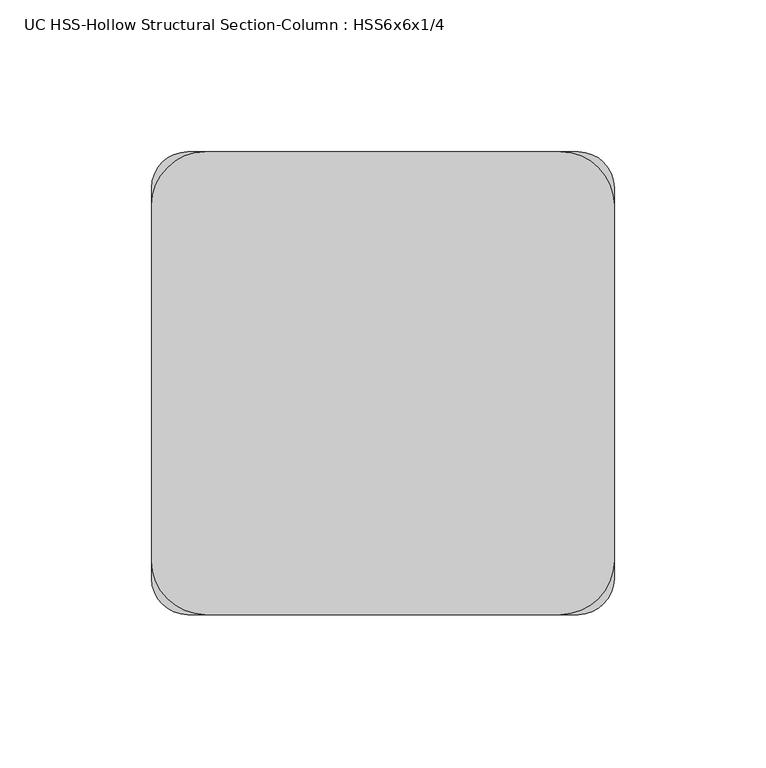
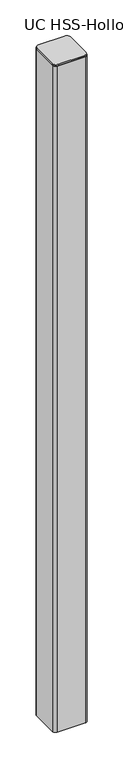
"""IFC4 building model written with IfcOpenShell, lengths in millimetres: column geometry, UC HSS-Hollow Structural Section-Column : HSS6x6x1/4."""

from ifc_helpers import new_model, si_unit, point, frame, frame_2d, origin, place, context, project, spatial, polyline, circle_curve, trimmed, segment, composite_curve, outline, extrude, source, transform, mapped, element, save


def uc_hss_hollow_structural_section_column_hss6x6x1_4_b660c09f(model_context):
    return source(origin(), model_context, "Body", "SweptSolid", [
        extrude(outline(composite_curve([segment(trimmed(circle_curve(frame_2d((-58.5390625, 58.5390625)), 17.6609375), [point((-76.2, 58.5390625))], [point((-58.5390625, 76.2))], False, "CARTESIAN"), True, "CONTINUOUS"), segment(polyline([(-58.5390625, 76.2), (58.5390625, 76.2)]), True, "CONTINUOUS"), segment(trimmed(circle_curve(frame_2d((58.5390625, 58.5390625)), 17.6609375), [point((58.5390625, 76.2))], [point((76.2, 58.5390625))], False, "CARTESIAN"), True, "CONTINUOUS"), segment(polyline([(76.2, 58.5390625), (76.2, -58.5390625)]), True, "CONTINUOUS"), segment(trimmed(circle_curve(frame_2d((58.5390625, -58.5390625)), 17.6609375), [point((76.2, -58.5390625))], [point((58.5390625, -76.2))], False, "CARTESIAN"), True, "CONTINUOUS"), segment(polyline([(58.5390625, -76.2), (-58.5390625, -76.2)]), True, "CONTINUOUS"), segment(trimmed(circle_curve(frame_2d((-58.5390625, -58.5390625)), 17.6609375), [point((-58.5390625, -76.2))], [point((-76.2, -58.5390625))], False, "CARTESIAN"), True, "CONTINUOUS"), segment(polyline([(-76.2, -58.5390625), (-76.2, 58.5390625)]), True, "CONTINUOUS")], self_intersect=False)), frame((0.0, 0.0, 9086.85), z_axis=(0.0, 0.0, 1.0), x_axis=(1.0, 0.0, 0.0)), (0.0, 0.0, 1.0), 6.35),
        extrude(outline(composite_curve([segment(trimmed(circle_curve(frame_2d((64.3636, 64.3636)), 11.8364), [point((64.3636, 76.2))], [point((76.2, 64.3636))], False, "CARTESIAN"), True, "CONTINUOUS"), segment(polyline([(76.2, 64.3636), (76.2, -64.3636)]), True, "CONTINUOUS"), segment(trimmed(circle_curve(frame_2d((64.3636, -64.3636)), 11.8364), [point((76.2, -64.3636))], [point((64.3636, -76.2))], False, "CARTESIAN"), True, "CONTINUOUS"), segment(polyline([(64.3636, -76.2), (-64.3636, -76.2)]), True, "CONTINUOUS"), segment(trimmed(circle_curve(frame_2d((-64.3636, -64.3636)), 11.8364), [point((-64.3636, -76.2))], [point((-76.2, -64.3636))], False, "CARTESIAN"), True, "CONTINUOUS"), segment(polyline([(-76.2, -64.3636), (-76.2, 64.3636)]), True, "CONTINUOUS"), segment(trimmed(circle_curve(frame_2d((-64.3636, 64.3636)), 11.8364), [point((-76.2, 64.3636))], [point((-64.3636, 76.2))], False, "CARTESIAN"), True, "CONTINUOUS"), segment(polyline([(-64.3636, 76.2), (64.3636, 76.2)]), True, "CONTINUOUS")], self_intersect=False), holes=[composite_curve([segment(polyline([(64.3636, 70.2818), (-64.3636, 70.2818)]), True, "CONTINUOUS"), segment(trimmed(circle_curve(frame_2d((-64.3636, 64.3636)), 5.9182), [point((-64.3636, 70.2818))], [point((-70.2818, 64.3636))], True, "CARTESIAN"), True, "CONTINUOUS"), segment(polyline([(-70.2818, 64.3636), (-70.2818, -64.3636)]), True, "CONTINUOUS"), segment(trimmed(circle_curve(frame_2d((-64.3636, -64.3636)), 5.9182), [point((-70.2818, -64.3636))], [point((-64.3636, -70.2818))], True, "CARTESIAN"), True, "CONTINUOUS"), segment(polyline([(-64.3636, -70.2818), (64.3636, -70.2818)]), True, "CONTINUOUS"), segment(trimmed(circle_curve(frame_2d((64.3636, -64.3636)), 5.9182), [point((64.3636, -70.2818))], [point((70.2818, -64.3636))], True, "CARTESIAN"), True, "CONTINUOUS"), segment(polyline([(70.2818, -64.3636), (70.2818, 64.3636)]), True, "CONTINUOUS"), segment(trimmed(circle_curve(frame_2d((64.3636, 64.3636)), 5.9182), [point((70.2818, 64.3636))], [point((64.3636, 70.2818))], True, "CARTESIAN"), True, "CONTINUOUS")], self_intersect=False)]), frame((0.0, 0.0, 5918.2), z_axis=(0.0, 0.0, 1.0), x_axis=(1.0, 0.0, 0.0)), (0.0, 0.0, 1.0), 3168.65),
    ])


if __name__ == "__main__":
    model = new_model("IFC4")
    model_context = context("Model", 3, world=origin())
    ifc_project = project(units=[si_unit("LENGTHUNIT", "METRE", prefix="MILLI")], contexts=[model_context])
    site = spatial("IfcSite", under=ifc_project)
    building = spatial("IfcBuilding", under=site)
    placement = place(None, origin())
    uc_hss_hollow_structural_section_column_hss6x6x1_4_shape = uc_hss_hollow_structural_section_column_hss6x6x1_4_b660c09f(model_context)
    element("IfcColumn", 1, ObjectType="UC HSS-Hollow Structural Section-Column : HSS6x6x1/4", at=placement, inside=building, context=model_context, shape_type="MappedRepresentation", body=[
        mapped(uc_hss_hollow_structural_section_column_hss6x6x1_4_shape, transform((0.0, 0.0, 0.0), x_axis=(1.0, 0.0, 0.0), y_axis=(0.0, 1.0, 0.0), z_axis=(0.0, 0.0, 1.0))),
    ])
    save(model, "model.ifc")
